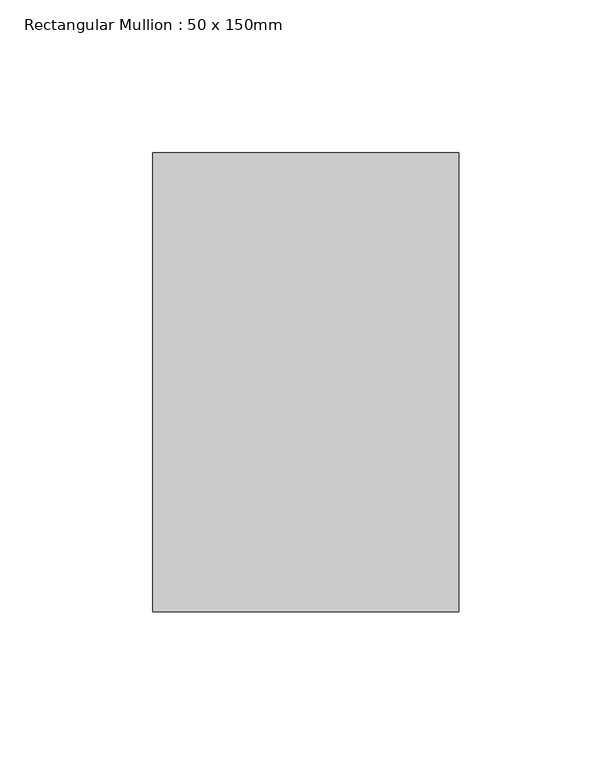
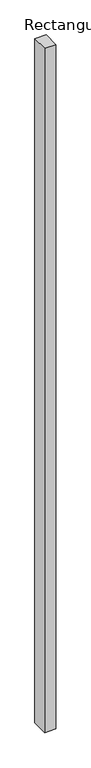
"""IFC4 building model written with IfcOpenShell, lengths in millimetres: member geometry, Rectangular Mullion : 50 x 150mm."""

from ifc_helpers import new_model, si_unit, frame, origin, place, context, project, spatial, polyline, outline, extrude, source, transform, mapped, element, save


def rectangular_mullion_50_x_150mm_32a2b092(model_context):
    return source(origin(), model_context, "Body", "SweptSolid", [
        extrude(outline(polyline([(0.0, 75.0), (0.0, -75.0), (-100.0, -75.0), (-100.0, 75.0), (0.0, 75.0)])), frame((0.0, 0.0, -6445.1105375), z_axis=(0.0, 0.0, 1.0), x_axis=(1.0, 0.0, 0.0)), (0.0, 0.0, 1.0), 6445.1105375),
    ])


if __name__ == "__main__":
    model = new_model("IFC4")
    model_context = context("Model", 3, world=origin())
    ifc_project = project(units=[si_unit("LENGTHUNIT", "METRE", prefix="MILLI")], contexts=[model_context])
    site = spatial("IfcSite", under=ifc_project)
    building = spatial("IfcBuilding", under=site)
    placement = place(None, origin())
    rectangular_mullion_50_x_150mm_shape = rectangular_mullion_50_x_150mm_32a2b092(model_context)
    element("IfcMember", 1, ObjectType="Rectangular Mullion : 50 x 150mm", at=placement, inside=building, context=model_context, shape_type="MappedRepresentation", body=[
        mapped(rectangular_mullion_50_x_150mm_shape, transform((0.0, 0.0, 0.0), x_axis=(1.0, 0.0, 0.0), y_axis=(0.0, 1.0, 0.0), z_axis=(0.0, 0.0, 1.0))),
    ])
    save(model, "model.ifc")
